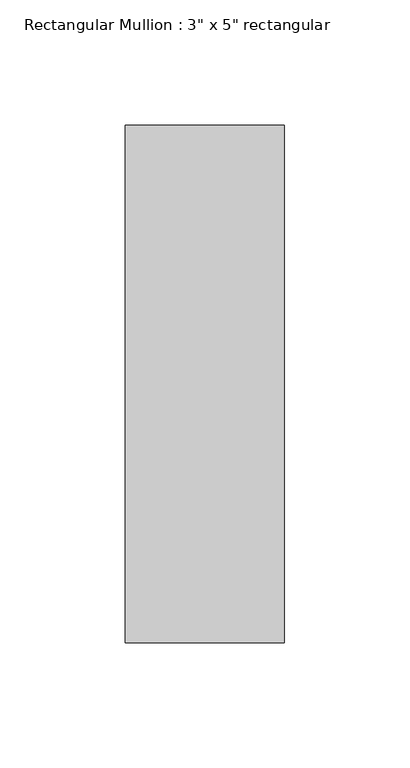
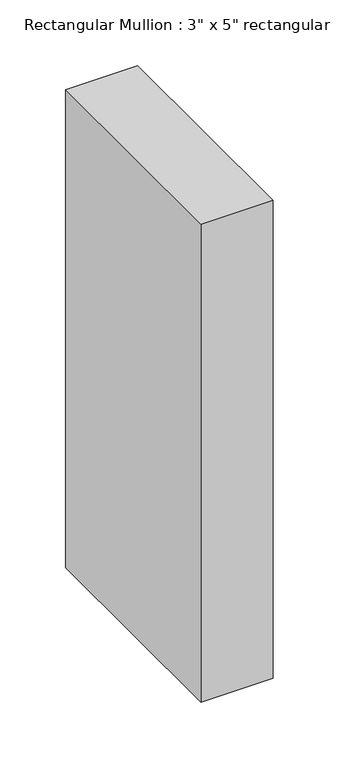
"""IFC4 building model written with IfcOpenShell, lengths in millimetres: member geometry."""

from ifc_helpers import new_model, si_unit, frame, origin, place, context, project, spatial, polyline, outline, extrude, source, transform, mapped, element, save


def member_ccda7af8(model_context):
    return source(origin(), model_context, "Body", "SweptSolid", [
        extrude(outline(polyline([(0.0, 90.551), (0.0, -115.951), (-63.5, -115.951), (-63.5, 90.551), (0.0, 90.551)])), frame((0.0, 0.0, -444.5), z_axis=(0.0, 0.0, 1.0), x_axis=(1.0, 0.0, 0.0)), (0.0, 0.0, 1.0), 444.5),
    ])


if __name__ == "__main__":
    model = new_model("IFC4")
    model_context = context("Model", 3, world=origin())
    ifc_project = project(units=[si_unit("LENGTHUNIT", "METRE", prefix="MILLI")], contexts=[model_context])
    site = spatial("IfcSite", under=ifc_project)
    building = spatial("IfcBuilding", under=site)
    placement = place(None, origin())
    member_shape = member_ccda7af8(model_context)
    element("IfcMember", 1, ObjectType="Rectangular Mullion : 3\" x 5\" rectangular", at=placement, inside=building, context=model_context, shape_type="MappedRepresentation", body=[
        mapped(member_shape, transform((0.0, 0.0, 0.0), x_axis=(1.0, 0.0, 0.0), y_axis=(0.0, 1.0, 0.0), z_axis=(0.0, 0.0, 1.0))),
    ])
    save(model, "model.ifc")
